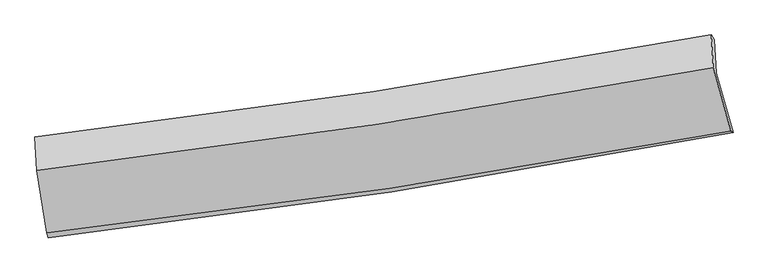
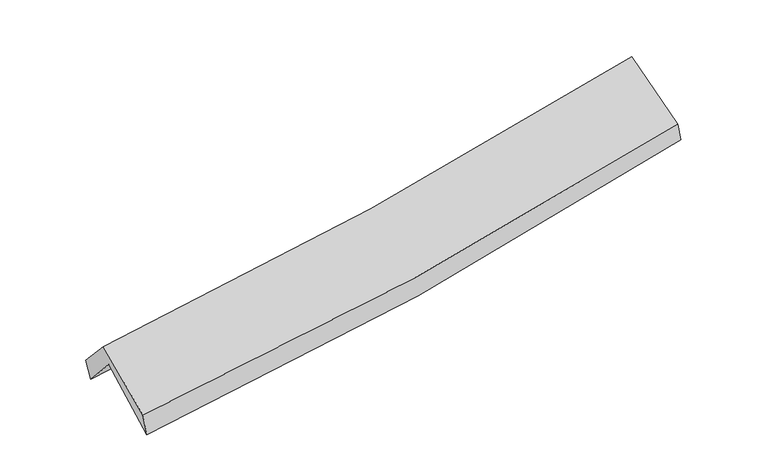
"""IFC4 building model written with IfcOpenShell, lengths in millimetres: proxy geometry."""

import ifcopenshell
import ifcopenshell.guid

model = None  # the IFC model being written
_history = None  # IfcOwnerHistory: only IFC2X3 demands one
_inside = {}  # id of a spatial element -> (the spatial element, [elements in it])
_under = {}  # id of a project, library or spatial element -> (it, [spatial elements below it])
_declared = {}  # id of a project -> (the project, [libraries it declares])
_typed = {}  # id of a type object -> (the type object, [elements of that type])
_made_of = {}  # id of a material, layer set ... -> (it, [elements and type objects made of it])


def new_model(schema):
    """Start an empty IFC model of exactly this schema.

    Asked for "IFC4X3", IfcOpenShell would pick the latest addendum, in which some entities
    have other attributes; the version numbers below select the first issue.
    IFC2X3 requires an IfcOwnerHistory on every rooted entity: one is made here for all.
    """
    global model, _history
    if schema == "IFC4X3":
        model = ifcopenshell.file(schema_version=(4, 3, 0, 0))
    else:
        model = ifcopenshell.file(schema=schema)
    _inside.clear()
    _under.clear()
    _declared.clear()
    _typed.clear()
    _made_of.clear()
    _history = None
    if model.schema == "IFC2X3":
        org = make("IfcOrganization", Name="unknown")
        user = make(
            "IfcPersonAndOrganization",
            ThePerson=make("IfcPerson", FamilyName="unknown"),
            TheOrganization=org,
        )
        app = make(
            "IfcApplication",
            ApplicationDeveloper=org,
            Version="unknown",
            ApplicationFullName="unknown",
            ApplicationIdentifier="unknown",
        )
        _history = make(
            "IfcOwnerHistory",
            OwningUser=user,
            OwningApplication=app,
            ChangeAction="ADDED",
            CreationDate=0,
        )
    return model


def make(cls, **values):
    """One entity of the class cls with the attributes given. An attribute that is None is left unset."""
    return model.create_entity(
        cls, **{name: value for name, value in values.items() if value is not None}
    )


def rooted(cls, **values):
    """An entity with a GlobalId (a new one), such as an element, a storey or a relation."""
    return make(cls, GlobalId=ifcopenshell.guid.new(), OwnerHistory=_history, **values)


def si_unit(unit_type, name, prefix=None):
    """IfcSIUnit, for example si_unit("LENGTHUNIT", "METRE", prefix="MILLI")."""
    return make("IfcSIUnit", UnitType=unit_type, Prefix=prefix, Name=name)


def assignment(units):
    """IfcUnitAssignment: the units of a project."""
    return None if units is None else make("IfcUnitAssignment", Units=units)


def point(xyz):
    """IfcCartesianPoint."""
    return None if xyz is None else make("IfcCartesianPoint", Coordinates=xyz)


def direction(xyz):
    """IfcDirection."""
    return None if xyz is None else make("IfcDirection", DirectionRatios=xyz)


def frame(location, z_axis=None, x_axis=None):
    """IfcAxis2Placement3D, a coordinate frame: its origin and axes. An axis left out is left unset."""
    return make(
        "IfcAxis2Placement3D",
        Location=point(location),
        Axis=direction(z_axis),
        RefDirection=direction(x_axis),
    )


def origin():
    """The frame at (0, 0, 0) with its axes left unset."""
    return frame((0.0, 0.0, 0.0))


def place(relative_to, where):
    """IfcLocalPlacement: puts the frame where relative to a parent placement (None: the world)."""
    return make(
        "IfcLocalPlacement", PlacementRelTo=relative_to, RelativePlacement=where
    )


def context(
    kind, dimensions, precision=None, world=None, true_north=None, identifier=None
):
    """IfcGeometricRepresentationContext, for example the 3D "Model" context."""
    return make(
        "IfcGeometricRepresentationContext",
        ContextIdentifier=identifier,
        ContextType=kind,
        CoordinateSpaceDimension=dimensions,
        Precision=precision,
        WorldCoordinateSystem=world,
        TrueNorth=true_north,
    )


def project(units=None, contexts=None):
    """IfcProject with its units and contexts."""
    return rooted(
        "IfcProject",
        Name="project",
        RepresentationContexts=contexts,
        UnitsInContext=assignment(units),
    )


def spatial(cls, under=None, at=None, **own):
    """A site, building, storey or space (cls), placed at a placement, below another one or the project."""
    s = rooted(cls, ObjectPlacement=at, **own)
    if under is not None:
        _under.setdefault(under.id(), (under, []))[1].append(s)
    return s


def shape(context_of_items, identifier, shape_type, items):
    """IfcShapeRepresentation: the items that make up one representation, for example the "Body"."""
    return make(
        "IfcShapeRepresentation",
        ContextOfItems=context_of_items,
        RepresentationIdentifier=identifier,
        RepresentationType=shape_type,
        Items=items,
    )


def source(mapping_origin, context_of_items, identifier, shape_type, items):
    """IfcRepresentationMap: a shape defined once, which mapped items show again and again."""
    return make(
        "IfcRepresentationMap",
        MappingOrigin=mapping_origin,
        MappedRepresentation=shape(context_of_items, identifier, shape_type, items),
    )


def transform(
    local_origin,
    x_axis=None,
    y_axis=None,
    z_axis=None,
    scale=None,
    scale2=None,
    scale3=None,
    uniform=True,
):
    """IfcCartesianTransformationOperator3D, or its non-uniform kind. x_axis, y_axis, z_axis: its Axis1, 2, 3."""
    if uniform:
        return make(
            "IfcCartesianTransformationOperator3D",
            Axis1=direction(x_axis),
            Axis2=direction(y_axis),
            LocalOrigin=point(local_origin),
            Scale=scale,
            Axis3=direction(z_axis),
        )
    return make(
        "IfcCartesianTransformationOperator3DnonUniform",
        Axis1=direction(x_axis),
        Axis2=direction(y_axis),
        LocalOrigin=point(local_origin),
        Scale=scale,
        Axis3=direction(z_axis),
        Scale2=scale2,
        Scale3=scale3,
    )


def mapped(mapping_source, mapping_target):
    """IfcMappedItem: shows the shape of a source again, moved by a transform."""
    return make(
        "IfcMappedItem", MappingSource=mapping_source, MappingTarget=mapping_target
    )


def made_of(thing, what):
    """Note that an element or type object is made of a material, layer set ...; save() writes the relation."""
    if what is not None:
        _made_of.setdefault(what.id(), (what, []))[1].append(thing)
    return thing


def element(
    cls,
    number,
    at=None,
    inside=None,
    cuts=None,
    type_object=None,
    material=None,
    context=None,
    identifier="Body",
    shape_type=None,
    held_by="IfcProductDefinitionShape",
    body=None,
    shapes=None,
    **own,
):
    """One element of the class cls, such as IfcWall. Its Tag is "e" and its number.

    at: its placement. inside: the storey or other place that contains it. cuts: it is an
    opening in that element (IfcRelVoidsElement). A single representation is given by context,
    identifier, shape_type and body (its items); several are given by shapes. held_by: the class
    of the entity that holds the representations. save() writes the other relations.
    """
    e = rooted(cls, Tag="e%d" % number, ObjectPlacement=at, **own)
    if body is not None:
        shapes = [shape(context, identifier, shape_type, body)]
    if shapes is not None:
        e.Representation = make(held_by, Representations=shapes)
    if inside is not None:
        _inside.setdefault(inside.id(), (inside, []))[1].append(e)
    if cuts is not None:
        rooted(
            "IfcRelVoidsElement", RelatingBuildingElement=cuts, RelatedOpeningElement=e
        )
    if type_object is not None:
        _typed.setdefault(type_object.id(), (type_object, []))[1].append(e)
    return made_of(e, material)


def aggregate(whole, parts):
    """IfcRelAggregates: a whole, such as a stair, and the parts it consists of."""
    return rooted("IfcRelAggregates", RelatingObject=whole, RelatedObjects=parts)


def save(model, path):
    """Write the relations noted so far, then the file.

    IfcRelAggregates (storeys below a building ...), IfcRelContainedInSpatialStructure (elements
    in a storey), IfcRelDefinesByType, IfcRelAssociatesMaterial and IfcRelDeclares: one each for
    every whole, place, type object, material and project.
    """
    for whole, parts in _under.values():
        aggregate(whole, parts)
    for where, things in _inside.values():
        rooted(
            "IfcRelContainedInSpatialStructure",
            RelatedElements=things,
            RelatingStructure=where,
        )
    for kind, things in _typed.values():
        rooted("IfcRelDefinesByType", RelatedObjects=things, RelatingType=kind)
    for what, things in _made_of.values():
        rooted("IfcRelAssociatesMaterial", RelatedObjects=things, RelatingMaterial=what)
    for by, libraries in _declared.values():
        rooted("IfcRelDeclares", RelatingContext=by, RelatedDefinitions=libraries)
    model.write(path)


def plane_surface(at):
    """IfcPlane: the flat surface through the origin of the frame at, square to its z axis."""
    return make("IfcPlane", Position=at)


def spline_curve(degree, points, multiplicities, knots, weights=None):
    """IfcBSplineCurveWithKnots; with weights, IfcRationalBSplineCurveWithKnots."""
    own = dict(
        Degree=degree,
        ControlPointsList=[point(p) for p in points],
        CurveForm="UNSPECIFIED",
        ClosedCurve=False,
        SelfIntersect=False,
        KnotMultiplicities=multiplicities,
        Knots=knots,
        KnotSpec="UNSPECIFIED",
    )
    if weights is None:
        return make("IfcBSplineCurveWithKnots", **own)
    return make("IfcRationalBSplineCurveWithKnots", WeightsData=weights, **own)


def spline_surface(u_degree, v_degree, points, u_multiplicities, v_multiplicities, u_knots, v_knots, weights=None):
    """IfcBSplineSurfaceWithKnots; with weights, IfcRationalBSplineSurfaceWithKnots. points: one row for each step in u."""
    own = dict(
        UDegree=u_degree,
        VDegree=v_degree,
        ControlPointsList=[[point(p) for p in row] for row in points],
        SurfaceForm="UNSPECIFIED",
        UClosed=False,
        VClosed=False,
        SelfIntersect=False,
        UMultiplicities=u_multiplicities,
        VMultiplicities=v_multiplicities,
        UKnots=u_knots,
        VKnots=v_knots,
        KnotSpec="UNSPECIFIED",
    )
    if weights is None:
        return make("IfcBSplineSurfaceWithKnots", **own)
    return make("IfcRationalBSplineSurfaceWithKnots", WeightsData=weights, **own)


def advanced_brep(points, edges, surfaces, faces):
    """IfcAdvancedBrep: a solid bounded by faces that lie on surfaces and meet in shared edges.

    An edge is (start, end): straight between two places in points (the first is 0);
    or (start, end, curve); or (start, end, curve, False) where it runs against its curve.
    A face is (place in surfaces, loops), or (place, loops, False) where it looks against
    its surface's normal. A loop lists edges by number (the first is 1), with a minus sign
    where the edge is run from its end to its start. The first loop is the outer one.
    """
    corners = [point(p) for p in points]
    vertices = [make("IfcVertexPoint", VertexGeometry=c) for c in corners]
    made = []
    for start, end, *more in edges:
        made.append(
            make(
                "IfcEdgeCurve",
                EdgeStart=vertices[start],
                EdgeEnd=vertices[end],
                EdgeGeometry=more[0] if more else make("IfcPolyline", Points=[corners[start], corners[end]]),
                SameSense=more[1] if len(more) > 1 else True,
            )
        )
    hull = []
    for where, loops, *sense in faces:
        bounds = []
        for j, loop in enumerate(loops):
            ring = [make("IfcOrientedEdge", EdgeElement=made[abs(k) - 1], Orientation=k > 0) for k in loop]
            bounds.append(
                make(
                    "IfcFaceOuterBound" if j == 0 else "IfcFaceBound",
                    Bound=make("IfcEdgeLoop", EdgeList=ring),
                    Orientation=True,
                )
            )
        hull.append(make("IfcAdvancedFace", Bounds=bounds, FaceSurface=surfaces[where], SameSense=sense[0] if sense else True))
    return make("IfcAdvancedBrep", Outer=make("IfcClosedShell", CfsFaces=hull))


def generic_models_9cd1e594(model_context):
    return source(origin(), model_context, "Body", "AdvancedBrep", [
        advanced_brep(
        [(-2724.3986032, -2508.0894196, 1466.3528299), (-2805.8962912, -2012.5212189, 1907.4070339), (2742.3566553, -1156.0030103, 2403.1421843), (2881.1140185, -1644.1452505, 1963.9598688), (-2818.9358897, -1742.026363, 1597.023353), (2728.7281287, -882.8562836, 2085.4732317), (-2835.1248539, -1682.475443, 1762.1203206), (2703.0972865, -843.1623084, 2247.4642324), (-2821.0162378, -1954.8600433, 2057.5323385), (2718.8499848, -1111.8875241, 2539.3537253), (-2739.3193306, -2466.3317171, 1644.672241), (2860.9757566, -1630.2574662, 2118.9537633)],
        [
            (0, 1),
            (1, 2, spline_curve(3, [(-2805.8962912, -2012.5212189, 1907.4070339), (-1877.174142958, -1887.600762482, 1953.011969581), (-951.456919956, -1753.938175403, 2016.995891855), (897.986964686, -1468.508432214, 2182.080477429), (1821.687390428, -1316.664949667, 2283.341605369), (2742.3566553, -1156.0030103, 2403.1421843)], [4, 2, 4], [0.0, 9.275509707528554, 18.591423068501733])),
            (2, 3),
            (3, 0, spline_curve(3, [(2881.1140185, -1644.1452505, 1963.9598688), (1954.119184798, -1824.951926197, 1844.113676362), (1022.470446361, -1987.467409518, 1742.673121752), (-846.074042005, -2275.290483613, 1576.963415071), (-1782.929510611, -2400.756389779, 1512.534956743), (-2724.3986032, -2508.0894196, 1466.3528299)], [4, 2, 4], [0.0, 9.315913360973179, 18.591423068501733])),
            (1, 4),
            (4, 5, spline_curve(3, [(-2818.9358897, -1742.026363, 1597.023353), (-1888.414924529, -1627.618245196, 1637.74929633), (-961.845202627, -1499.003220657, 1698.683950295), (887.410634885, -1212.737232598, 1861.324136919), (1810.062252303, -1054.962230995, 1963.206108945), (2728.7281287, -882.8562836, 2085.4732317)], [4, 2, 4], [0.0, 9.227576360075348, 18.495347578346326])),
            (5, 2),
            (4, 6),
            (6, 7, spline_curve(3, [(-2835.1248539, -1682.475443, 1762.1203206), (-1907.17422748, -1571.71676245, 1810.72978071), (-982.675874759, -1446.57798313, 1875.3570529), (863.428313522, -1166.932488857, 2036.998507629), (1785.004007503, -1012.300223471, 2134.152539068), (2703.0972865, -843.1623084, 2247.4642324)], [4, 2, 4], [0.0, 9.216811722802845, 18.47377141358315])),
            (7, 5),
            (6, 8),
            (8, 9, spline_curve(3, [(-2821.0162378, -1954.8600433, 2057.5323385), (-1892.708539582, -1844.624869085, 2106.769985884), (-967.894850925, -1719.444786933, 2171.419765038), (878.757728875, -1438.584429062, 2331.892332416), (1800.566114738, -1282.77367161, 2427.849682316), (2718.8499848, -1111.8875241, 2539.3537253)], [4, 2, 4], [0.0, 9.207618699279495, 18.455345322188673])),
            (9, 7),
            (8, 10),
            (10, 11, spline_curve(3, [(-2739.3193306, -2466.3317171, 1644.672241), (-1799.580897333, -2362.641649416, 1688.273130661), (-864.025545904, -2241.313592539, 1749.472812144), (1002.776005437, -1962.776170357, 1907.412999837), (1933.985682704, -1805.412810619, 2004.307159286), (2860.9757566, -1630.2574662, 2118.9537633)], [4, 2, 4], [0.0, 9.256972880173327, 18.55426866830429])),
            (11, 9),
            (10, 0),
            (3, 11),
        ],
        [
            spline_surface(3, 3, [[(-2724.3986032, -2508.0894196, 1466.3528299), (-1782.92951066, -2400.756389651, 1512.534956831), (-846.074041912, -2275.290483493, 1576.963415145), (1022.470446268, -1987.467409639, 1742.673121678), (1954.119184793, -1824.951926107, 1844.113676371), (2881.1140185, -1644.1452505, 1963.9598688)], [(-2751.564499223, -2342.900019355, 1613.3708979), (-1814.344388123, -2229.704513898, 1659.360627797), (-881.201667887, -2101.506380778, 1723.640907387), (980.975952384, -1814.481083852, 1889.142240245), (1909.975253292, -1655.522934016, 1990.522986051), (2834.861564092, -1481.431170454, 2110.353973969)], [(-2778.730395177, -2177.710619145, 1760.3889659), (-1845.759265517, -2058.652638181, 1806.186298762), (-916.329293886, -1927.722278058, 1870.318399646), (939.481458475, -1641.494758061, 2035.611358829), (1865.831321814, -1486.093941862, 2136.932295726), (2788.609109708, -1318.717090346, 2256.748079131)], [(-2805.8962912, -2012.5212189, 1907.4070339), (-1877.174142979, -1887.600762428, 1953.011969728), (-951.45691986, -1753.938175343, 2016.995891888), (897.98696459, -1468.508432274, 2182.080477396), (1821.687390313, -1316.664949771, 2283.341605407), (2742.3566553, -1156.0030103, 2403.1421843)]], [4, 4], [4, 2, 4], [0.0, 2.2662220277396066], [0.0, 9.275509707528554, 18.591423068501733]),
            spline_surface(3, 3, [[(-2805.8962912, -2012.5212189, 1907.4070339), (-1877.174142979, -1887.600762428, 1953.011969728), (-951.45691986, -1753.938175343, 2016.995891888), (897.98696459, -1468.508432274, 2182.080477396), (1821.687390313, -1316.664949771, 2283.341605407), (2742.3566553, -1156.0030103, 2403.1421843)], [(-2810.242824019, -1922.35626696, 1803.945806926), (-1880.921070152, -1800.939923349, 1847.924411871), (-954.919680751, -1668.959857084, 1910.891911364), (894.461521307, -1383.251365782, 2075.161697215), (1817.812344295, -1229.430710136, 2176.629773268), (2737.813813121, -1064.95410139, 2297.25253345)], [(-2814.589356881, -1832.19131494, 1700.484579974), (-1884.667997366, -1714.279084192, 1742.836854036), (-958.382441617, -1583.981538771, 1804.787930862), (890.936078049, -1297.994299236, 1968.242917056), (1813.937298215, -1142.196470531, 2069.917941078), (2733.270970879, -973.90519251, 2191.36288255)], [(-2818.9358897, -1742.026363, 1597.023353), (-1888.414924538, -1627.618245113, 1637.749296179), (-961.845202508, -1499.003220512, 1698.683950339), (887.410634766, -1212.737232744, 1861.324136876), (1810.062252197, -1054.962230896, 1963.206108939), (2728.7281287, -882.8562836, 2085.4732317)]], [4, 4], [4, 2, 4], [0.0, 1.3424268972539672], [0.0, 9.227576360075348, 18.495347578346326]),
            spline_surface(3, 3, [[(-2818.9358897, -1742.026363, 1597.023353), (-1888.414924538, -1627.618245113, 1637.749296179), (-961.845202508, -1499.003220512, 1698.683950339), (887.410634766, -1212.737232744, 1861.324136876), (1810.062252197, -1054.962230896, 1963.206108939), (2728.7281287, -882.8562836, 2085.4732317)], [(-2824.33221111, -1722.176056315, 1652.055675528), (-1894.668025511, -1608.984417562, 1695.409457723), (-968.788759913, -1481.528141344, 1757.574984589), (879.416527659, -1197.468984819, 1919.882260426), (1801.709503966, -1040.741561791, 2020.188252346), (2720.184514621, -869.624958525, 2139.470231918)], [(-2829.72853249, -1702.325749685, 1707.087998072), (-1900.921126453, -1590.350590065, 1753.069619284), (-975.732317297, -1464.053062182, 1816.466018795), (871.422420573, -1182.200736899, 1978.440383932), (1793.35675577, -1026.520892712, 2077.170395799), (2711.640900579, -856.393633475, 2193.467232182)], [(-2835.1248539, -1682.475443, 1762.1203206), (-1907.174227426, -1571.716762514, 1810.729780827), (-982.675874702, -1446.577983014, 1875.357053046), (863.428313465, -1166.932488974, 2036.998507482), (1785.004007539, -1012.300223607, 2134.152539206), (2703.0972865, -843.1623084, 2247.4642324)]], [4, 4], [4, 2, 4], [0.0, 0.6045086788935286], [0.0, 9.216811722802845, 18.47377141358315]),
            spline_surface(3, 3, [[(-2835.1248539, -1682.475443, 1762.1203206), (-1907.174227426, -1571.716762514, 1810.729780827), (-982.675874702, -1446.577983014, 1875.357053046), (863.428313465, -1166.932488974, 2036.998507482), (1785.004007539, -1012.300223607, 2134.152539206), (2703.0972865, -843.1623084, 2247.4642324)], [(-2830.421981852, -1773.270309757, 1860.590993246), (-1902.352331465, -1662.686131355, 1909.40984915), (-977.748866787, -1537.533584282, 1974.044623657), (868.538118635, -1257.483135715, 2135.296449136), (1790.191376545, -1102.458039636, 2232.051586908), (2708.348185919, -932.7373803, 2344.760730056)], [(-2825.719109848, -1864.065176543, 1959.061665854), (-1897.530435548, -1753.655500226, 2008.089917435), (-972.821858905, -1628.48918554, 2072.732194334), (873.647923771, -1348.033782446, 2233.594390855), (1795.378745592, -1192.615855665, 2329.950634541), (2713.599085381, -1022.3124522, 2442.057227644)], [(-2821.0162378, -1954.8600433, 2057.5323385), (-1892.708539587, -1844.624869068, 2106.769985758), (-967.894850989, -1719.444786808, 2171.419764946), (878.75772894, -1438.584429187, 2331.892332509), (1800.566114597, -1282.773671694, 2427.849682243), (2718.8499848, -1111.8875241, 2539.3537253)]], [4, 4], [4, 2, 4], [0.0, 1.3191111198252503], [0.0, 9.207618699279495, 18.455345322188673]),
            spline_surface(3, 3, [[(-2821.0162378, -1954.8600433, 2057.5323385), (-1892.708539587, -1844.624869068, 2106.769985758), (-967.894850989, -1719.444786808, 2171.419764946), (878.75772894, -1438.584429187, 2331.892332509), (1800.566114597, -1282.773671694, 2427.849682243), (2718.8499848, -1111.8875241, 2539.3537253)], [(-2793.783935421, -2125.350601257, 1919.912306002), (-1861.665992209, -2017.29712921, 1967.271034079), (-933.271749235, -1893.401055327, 2030.770780664), (920.097154398, -1613.315009606, 2190.399221684), (1845.039303981, -1456.986717985, 2286.668841296), (2766.225242088, -1284.677504803, 2399.220404624)], [(-2766.551632979, -2295.841159143, 1782.292273498), (-1830.623444769, -2189.969389282, 1827.772082394), (-898.648647507, -2067.35732389, 1890.121796305), (961.436579828, -1788.045590069, 2048.906110783), (1889.5124933, -1631.199764267, 2145.488000377), (2813.600499312, -1457.467485497, 2259.087083976)], [(-2739.3193306, -2466.3317171, 1644.672241), (-1799.580897391, -2362.641649424, 1688.273130715), (-864.025545753, -2241.313592408, 1749.472812023), (1002.776005285, -1962.776170488, 1907.412999958), (1933.985682684, -1805.412810558, 2004.30715943), (2860.9757566, -1630.2574662, 2118.9537633)]], [4, 4], [4, 2, 4], [0.0, 2.2388531007122623], [0.0, 9.256972880173327, 18.55426866830429]),
            spline_surface(3, 3, [[(-2739.3193306, -2466.3317171, 1644.672241), (-1799.580897391, -2362.641649424, 1688.273130715), (-864.025545753, -2241.313592408, 1749.472812023), (1002.776005285, -1962.776170488, 1907.412999958), (1933.985682684, -1805.412810558, 2004.30715943), (2860.9757566, -1630.2574662, 2118.9537633)], [(-2734.345754775, -2480.250951256, 1585.232437298), (-1794.030435122, -2375.346562823, 1629.693739418), (-858.041711152, -2252.639222764, 1691.969679725), (1009.340818933, -1971.006583532, 1852.499707193), (1940.696850044, -1811.925849069, 1950.909331727), (2867.688510558, -1634.886727628, 2067.289131783)], [(-2729.372179025, -2494.170185444, 1525.792633602), (-1788.479972929, -2388.051476253, 1571.114348128), (-852.057876513, -2263.964853137, 1634.466547443), (1015.90563262, -1979.236996594, 1797.586414443), (1947.408017432, -1818.438887596, 1897.511504074), (2874.401264542, -1639.515989072, 2015.624500317)], [(-2724.3986032, -2508.0894196, 1466.3528299), (-1782.92951066, -2400.756389651, 1512.534956831), (-846.074041912, -2275.290483493, 1576.963415145), (1022.470446268, -1987.467409639, 1742.673121678), (1954.119184793, -1824.951926107, 1844.113676371), (2881.1140185, -1644.1452505, 1963.9598688)]], [4, 4], [4, 2, 4], [0.0, 0.5648604166364468], [0.0, 9.31420449637505, 18.66898119874741]),
            plane_surface(frame((2772.5203051, -1211.3853072, 2226.3911676), z_axis=(0.9777431146745563, 0.17798147024104422, 0.11109004436642267), x_axis=(0.2082793318224076, -0.7596493145656713, -0.6160784356033875))),
            plane_surface(frame((-2790.7818677, -2061.0507008, 1739.1846862), z_axis=(-0.9920082603140056, -0.1127661752009391, -0.05659859714985402), x_axis=(-0.0812011373137889, 0.22725252086785896, 0.9704445718628913))),
        ],
        [
            (0, [[1, 2, 3, 4]]),
            (1, [[5, 6, 7, -2]]),
            (2, [[8, 9, 10, -6]]),
            (3, [[11, 12, 13, -9]]),
            (4, [[14, 15, 16, -12]]),
            (5, [[17, -4, 18, -15]]),
            (6, [[-16, -18, -3, -7, -10, -13]]),
            (7, [[-17, -14, -11, -8, -5, -1]]),
        ],
    ),
    ])


if __name__ == "__main__":
    model = new_model("IFC4")
    model_context = context("Model", 3, world=origin())
    ifc_project = project(units=[si_unit("LENGTHUNIT", "METRE", prefix="MILLI")], contexts=[model_context])
    site = spatial("IfcSite", under=ifc_project)
    building = spatial("IfcBuilding", under=site)
    placement = place(None, origin())
    generic_models_shape = generic_models_9cd1e594(model_context)
    element("IfcBuildingElementProxy", 1, Name="Generic Models", at=placement, inside=building, context=model_context, shape_type="MappedRepresentation", body=[
        mapped(generic_models_shape, transform((0.0, 0.0, 0.0), x_axis=(1.0, 0.0, 0.0), y_axis=(0.0, 1.0, 0.0), z_axis=(0.0, 0.0, 1.0))),
    ])
    save(model, "model.ifc")
